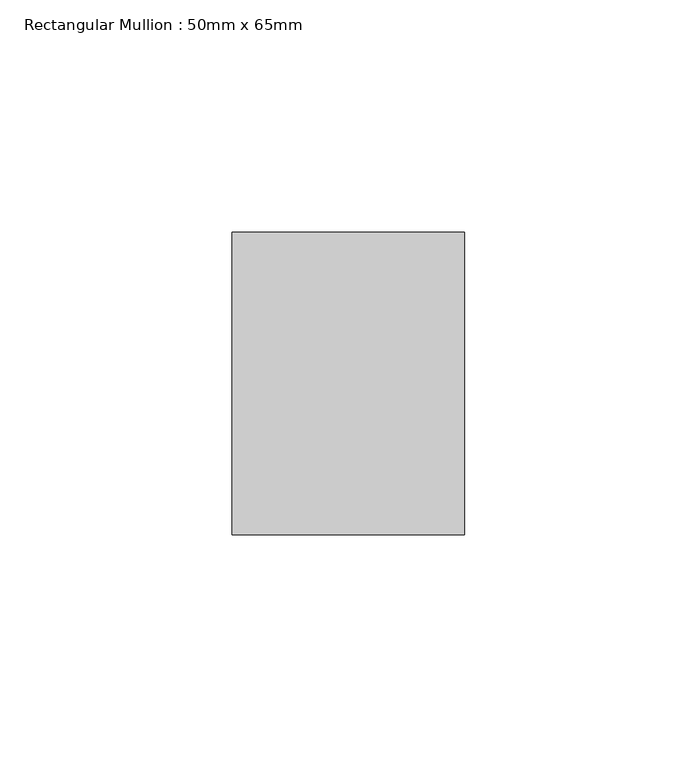
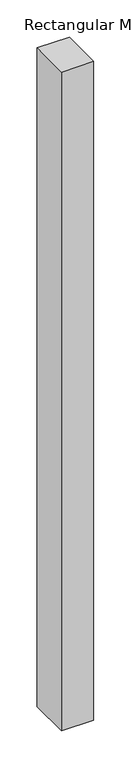
"""IFC4 building model written with IfcOpenShell, lengths in millimetres: member geometry, Rectangular Mullion : 50mm x 65mm."""

from ifc_helpers import new_model, si_unit, frame, origin, place, context, project, spatial, polyline, outline, extrude, source, transform, mapped, element, save


def rectangular_mullion_50mm_x_65mm_c1f0eda0(model_context):
    return source(origin(), model_context, "Body", "SweptSolid", [
        extrude(outline(polyline([(25.0, 32.5), (25.0, -32.5), (-25.0, -32.5), (-25.0, 32.5), (25.0, 32.5)])), frame((0.0, 0.0, -1078.0448177), z_axis=(0.0, 0.0, 1.0), x_axis=(1.0, 0.0, 0.0)), (0.0, 0.0, 1.0), 1078.0448177),
    ])


if __name__ == "__main__":
    model = new_model("IFC4")
    model_context = context("Model", 3, world=origin())
    ifc_project = project(units=[si_unit("LENGTHUNIT", "METRE", prefix="MILLI")], contexts=[model_context])
    site = spatial("IfcSite", under=ifc_project)
    building = spatial("IfcBuilding", under=site)
    placement = place(None, origin())
    rectangular_mullion_50mm_x_65mm_shape = rectangular_mullion_50mm_x_65mm_c1f0eda0(model_context)
    element("IfcMember", 1, ObjectType="Rectangular Mullion : 50mm x 65mm", at=placement, inside=building, context=model_context, shape_type="MappedRepresentation", body=[
        mapped(rectangular_mullion_50mm_x_65mm_shape, transform((0.0, 0.0, 0.0), x_axis=(1.0, 0.0, 0.0), y_axis=(0.0, 1.0, 0.0), z_axis=(0.0, 0.0, 1.0))),
    ])
    save(model, "model.ifc")
